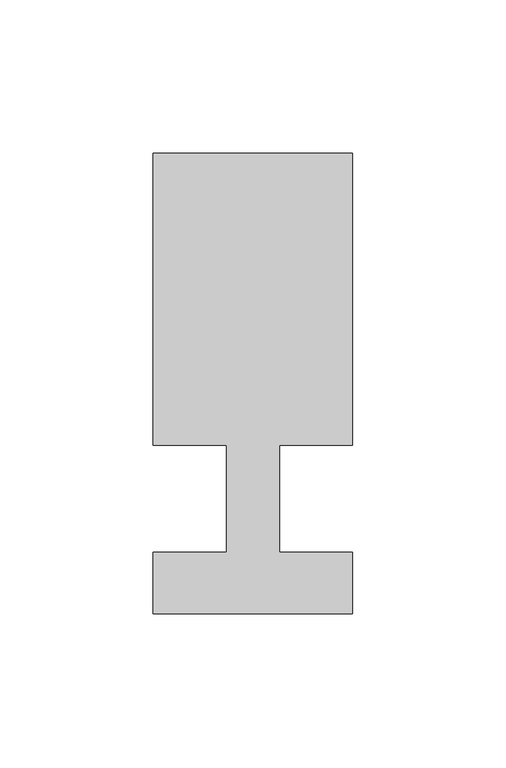
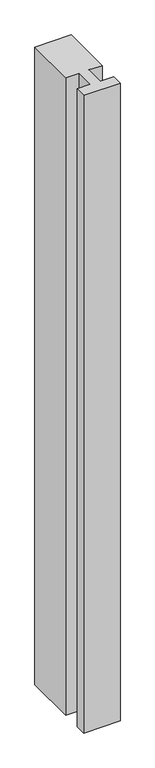
"""IFC4 building model written with IfcOpenShell, lengths in millimetres: member geometry."""

from ifc_helpers import new_model, si_unit, frame, origin, place, context, project, spatial, polyline, outline, extrude, source, transform, mapped, element, save


def member_a5742aee(model_context):
    return source(origin(), model_context, "Body", "SweptSolid", [
        extrude(outline(polyline([(-32.5, -37.0), (-32.5, -17.0), (-8.6875, -17.0), (-8.6875, 18.0), (-32.5, 18.0), (-32.5, 113.0), (32.5, 113.0), (32.5, 18.0), (8.6875, 18.0), (8.6875, -17.0), (32.5, -17.0), (32.5, -37.0), (-32.5, -37.0)])), frame((0.0, 0.0, -1200.0), z_axis=(0.0, 0.0, 1.0), x_axis=(1.0, 0.0, 0.0)), (0.0, 0.0, 1.0), 1200.0),
    ])


if __name__ == "__main__":
    model = new_model("IFC4")
    model_context = context("Model", 3, world=origin())
    ifc_project = project(units=[si_unit("LENGTHUNIT", "METRE", prefix="MILLI")], contexts=[model_context])
    site = spatial("IfcSite", under=ifc_project)
    building = spatial("IfcBuilding", under=site)
    placement = place(None, origin())
    member_shape = member_a5742aee(model_context)
    element("IfcMember", 1, at=placement, inside=building, context=model_context, shape_type="MappedRepresentation", body=[
        mapped(member_shape, transform((0.0, 0.0, 0.0), x_axis=(1.0, 0.0, 0.0), y_axis=(0.0, 1.0, 0.0), z_axis=(0.0, 0.0, 1.0))),
    ])
    save(model, "model.ifc")
